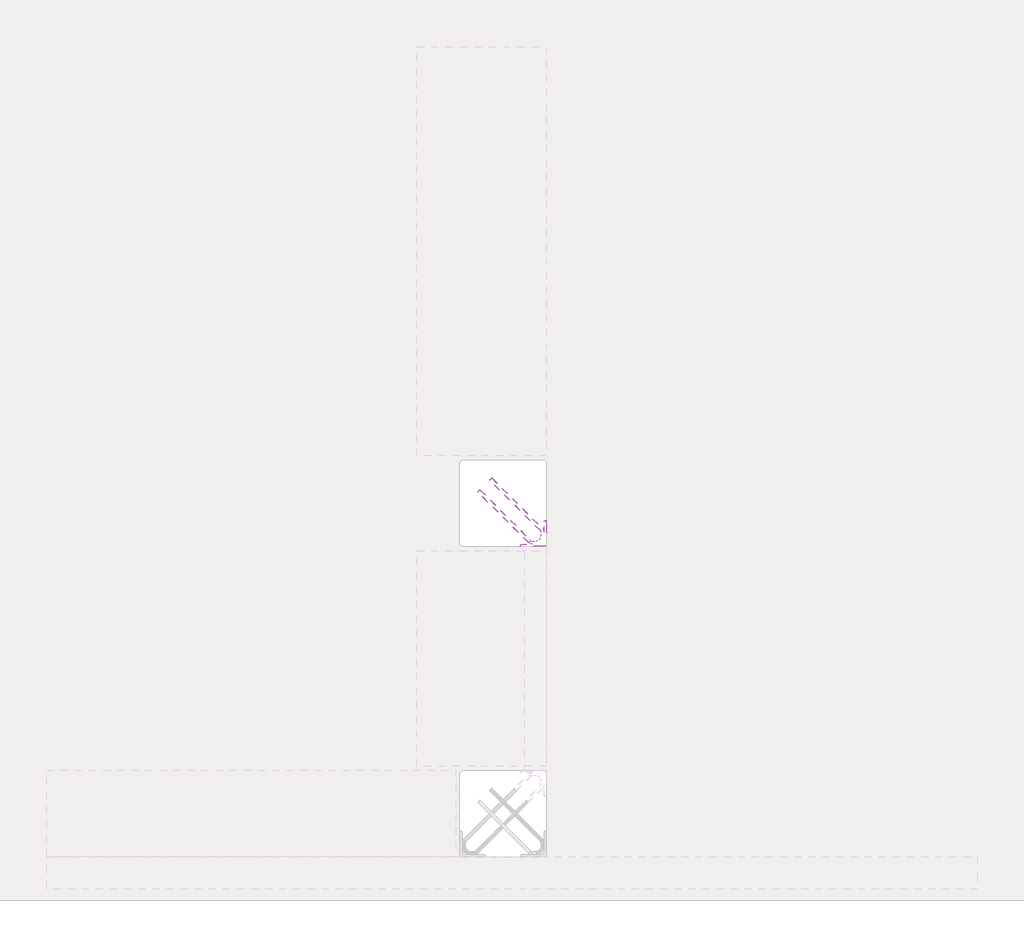
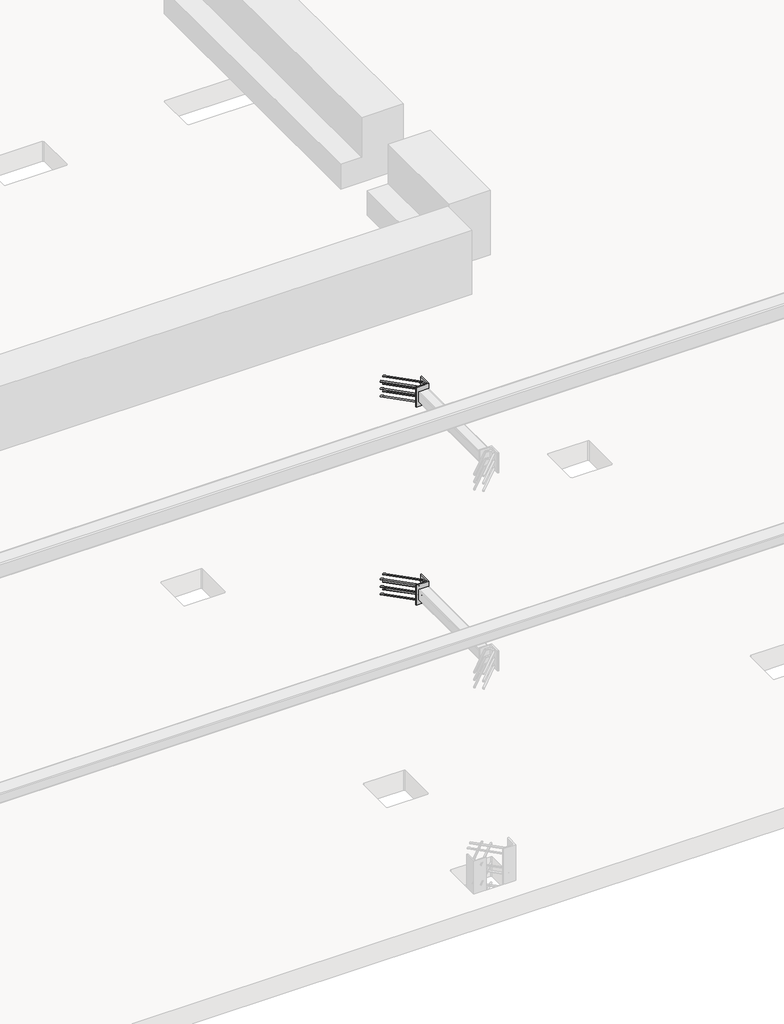
# One storey, part 26 of 65: 2 fasteners.
"""IFC4 building model written with IfcOpenShell, lengths in millimetres."""

from ifc_helpers import new_model, si_unit, point, frame, frame_2d, origin, place, context, project, spatial, polyline, circle_curve, ellipse_curve, trimmed, segment, composite_curve, outline, extrude, element, save
from ifc_brep_helpers import plane_surface, cylinder_surface, revolved_surface, advanced_brep

model = new_model("IFC4")

# Units and contexts
model_context = context("Model", 3, world=origin())
ifc_project = project(units=[si_unit("LENGTHUNIT", "METRE", prefix="MILLI")], contexts=[model_context])

# Site, building, storey
site = spatial("IfcSite", under=ifc_project)
building = spatial("IfcBuilding", under=site)
storey = spatial("IfcBuildingStorey", under=building, Elevation=0.0)

# Fasteners
placement = place(None, origin())
element("IfcFastener", 1, at=placement, inside=storey, context=model_context, shape_type="SolidModel", body=[
    advanced_brep(
    [(53097.4623741, 11557.4371209, 4125.0), (53087.5628791, 11547.5376259, 4125.0), (53032.5628791, 11492.5376259, 4125.0), (53042.4623741, 11502.4371209, 4125.0), (53303.0, 11264.0, 4125.0), (53303.0, 11250.0, 4125.0), (53284.2132034, 11250.0, 4125.0), (53284.2132034, 11264.0, 4125.0), (53326.0, 11287.0, 4125.0), (53340.0, 11287.0, 4125.0), (53326.0, 11305.7867966, 4125.0), (53340.0, 11305.7867966, 4125.0), (53333.5563492, 11321.3431458, 4125.0), (53323.6568543, 11311.4436508, 4125.0), (53278.5563492, 11266.3431458, 4125.0), (53268.6568543, 11256.4436508, 4125.0)],
    [
        (0, 1, circle_curve(frame((53092.5126266, 11552.4873734, 4125.0), z_axis=(-0.7071067811865459, 0.7071067811865493, 0.0), x_axis=(-0.7071067811865493, -0.7071067811865459, 0.0)), 7.0)),
        (1, 0, circle_curve(frame((53092.5126266, 11552.4873734, 4125.0), z_axis=(-0.7071067811865459, 0.7071067811865493, 0.0), x_axis=(-0.7071067811865493, -0.7071067811865459, 0.0)), 7.0)),
        (2, 3, circle_curve(frame((53037.5126266, 11497.4873734, 4125.0), z_axis=(-0.7071067811865457, 0.7071067811865493, 0.0), x_axis=(0.7071067811865493, 0.7071067811865457, 0.0)), 7.0)),
        (3, 2, circle_curve(frame((53037.5126266, 11497.4873734, 4125.0), z_axis=(-0.7071067811865457, 0.7071067811865493, 0.0), x_axis=(0.7071067811865493, 0.7071067811865457, 0.0)), 7.0)),
        (4, 5, circle_curve(frame((53303.0, 11257.0, 4125.0), z_axis=(-1.0, 0.0, 0.0), x_axis=(0.0, 1.0, 0.0)), 7.0)),
        (5, 6),
        (6, 7, circle_curve(frame((53284.2132034, 11257.0, 4125.0), z_axis=(1.0, 0.0, 0.0), x_axis=(0.0, 1.0, 0.0)), 7.0)),
        (7, 4),
        (5, 4, circle_curve(frame((53303.0, 11257.0, 4125.0), z_axis=(-1.0, 0.0, 0.0), x_axis=(0.0, 1.0, 0.0)), 7.0)),
        (7, 6, circle_curve(frame((53284.2132034, 11257.0, 4125.0), z_axis=(1.0, 0.0, 0.0), x_axis=(0.0, 1.0, 0.0)), 7.0)),
        (4, 8, circle_curve(frame((53303.0, 11287.0, 4125.0), z_axis=(0.0, 0.0, 1.0), x_axis=(1.0, 0.0, 0.0)), 23.0)),
        (8, 9, circle_curve(frame((53333.0, 11287.0, 4125.0), z_axis=(0.0, -1.0, 0.0), x_axis=(-1.0, 0.0, 0.0)), 7.0)),
        (9, 5, circle_curve(frame((53303.0, 11287.0, 4125.0), z_axis=(0.0, 0.0, -1.0), x_axis=(1.0, 0.0, 0.0)), 37.0)),
        (9, 8, circle_curve(frame((53333.0, 11287.0, 4125.0), z_axis=(0.0, -1.0, 0.0), x_axis=(-1.0, 0.0, 0.0)), 7.0)),
        (10, 11, circle_curve(frame((53333.0, 11305.7867966, 4125.0), z_axis=(0.0, -1.0, 0.0), x_axis=(-1.0, 0.0, 0.0)), 7.0)),
        (11, 9),
        (8, 10),
        (11, 10, circle_curve(frame((53333.0, 11305.7867966, 4125.0), z_axis=(0.0, -1.0, 0.0), x_axis=(-1.0, 0.0, 0.0)), 7.0)),
        (0, 12),
        (12, 13, circle_curve(frame((53328.6066017, 11316.3933983, 4125.0), z_axis=(-0.7071067811865459, 0.7071067811865493, 0.0), x_axis=(-0.7071067811865493, -0.7071067811865459, 0.0)), 7.0)),
        (13, 1),
        (13, 12, circle_curve(frame((53328.6066017, 11316.3933983, 4125.0), z_axis=(-0.7071067811865459, 0.7071067811865493, 0.0), x_axis=(-0.7071067811865493, -0.7071067811865459, 0.0)), 7.0)),
        (10, 13, circle_curve(frame((53318.0, 11305.7867966, 4125.0), z_axis=(0.0, 0.0, 1.0), x_axis=(0.7071067811865491, 0.7071067811865459, 0.0)), 8.0)),
        (12, 11, circle_curve(frame((53318.0, 11305.7867966, 4125.0), z_axis=(0.0, 0.0, -1.0), x_axis=(0.7071067811865491, 0.7071067811865459, 0.0)), 22.0)),
        (14, 7, circle_curve(frame((53284.2132034, 11272.0, 4125.0), z_axis=(0.0, 0.0, 1.0), x_axis=(0.0, -1.0, 0.0)), 8.0)),
        (6, 15, circle_curve(frame((53284.2132034, 11272.0, 4125.0), z_axis=(0.0, 0.0, -1.0), x_axis=(0.0, -1.0, 0.0)), 22.0)),
        (15, 14, circle_curve(frame((53273.6066017, 11261.3933983, 4125.0), z_axis=(0.7071067811865456, -0.7071067811865495, 0.0), x_axis=(0.7071067811865495, 0.7071067811865456, 0.0)), 7.0)),
        (14, 15, circle_curve(frame((53273.6066017, 11261.3933983, 4125.0), z_axis=(0.707106781186545, -0.70710678118655, 0.0), x_axis=(0.70710678118655, 0.707106781186545, 0.0)), 7.0)),
        (15, 2),
        (3, 14),
    ],
    [
        plane_surface(frame((53092.5126266, 11552.4873734, 4125.0), z_axis=(-0.7071067811865459, 0.7071067811865493, 0.0), x_axis=(0.0, 0.0, -1.0))),
        plane_surface(frame((53037.5126266, 11497.4873734, 4125.0), z_axis=(-0.7071067811865457, 0.7071067811865493, 0.0), x_axis=(0.0, 0.0, -1.0))),
        cylinder_surface(frame((53303.0, 11257.0, 4125.0), z_axis=(1.0, 0.0, 0.0), x_axis=(0.0, 1.0, 0.0)), 7.0),
        revolved_surface(trimmed(ellipse_curve(frame((53333.0, 11287.0, 4125.0), z_axis=(0.0, 1.0, 0.0), x_axis=(-1.0, 0.0, 0.0)), 7.0, 7.0), [point((53340.0, 11287.0, 4125.0))], [point((53326.0, 11287.0, 4125.0))], True, "CARTESIAN"), (53303.0, 11287.0, 4125.0), (0.0, 0.0, -1.0)),
        revolved_surface(trimmed(ellipse_curve(frame((53333.0, 11287.0, 4125.0), z_axis=(0.0, 1.0, 0.0), x_axis=(-1.0, 0.0, 0.0)), 7.0, 7.0), [point((53326.0, 11287.0, 4125.0))], [point((53340.0, 11287.0, 4125.0))], True, "CARTESIAN"), (53303.0, 11287.0, 4125.0), (0.0, 0.0, -1.0)),
        cylinder_surface(frame((53333.0, 11305.7867966, 4125.0), z_axis=(0.0, 1.0, 0.0), x_axis=(-1.0, 0.0, 0.0)), 7.0),
        cylinder_surface(frame((53092.5126266, 11552.4873734, 4125.0), z_axis=(-0.7071067811865459, 0.7071067811865493, 0.0), x_axis=(-0.7071067811865493, -0.7071067811865459, 0.0)), 7.0),
        revolved_surface(trimmed(ellipse_curve(frame((53328.6066017, 11316.3933983, 4125.0), z_axis=(-0.7071067811865459, 0.7071067811865491, 0.0), x_axis=(-0.7071067811865491, -0.7071067811865459, 0.0)), 7.0, 7.0), [point((53333.5563492, 11321.3431458, 4125.0))], [point((53323.6568543, 11311.4436508, 4125.0))], True, "CARTESIAN"), (53318.0, 11305.7867966, 4125.0), (0.0, 0.0, -1.0)),
        revolved_surface(trimmed(ellipse_curve(frame((53328.6066017, 11316.3933983, 4125.0), z_axis=(-0.7071067811865459, 0.7071067811865491, 0.0), x_axis=(-0.7071067811865491, -0.7071067811865459, 0.0)), 7.0, 7.0), [point((53323.6568543, 11311.4436508, 4125.0))], [point((53333.5563492, 11321.3431458, 4125.0))], True, "CARTESIAN"), (53318.0, 11305.7867966, 4125.0), (0.0, 0.0, -1.0)),
        revolved_surface(trimmed(ellipse_curve(frame((53284.2132034, 11257.0, 4125.0), z_axis=(1.0, 0.0, 0.0), x_axis=(0.0, 1.0, 0.0)), 7.0, 7.0), [point((53284.2132034, 11250.0, 4125.0))], [point((53284.2132034, 11264.0, 4125.0))], True, "CARTESIAN"), (53284.2132034, 11272.0, 4125.0), (0.0, 0.0, -1.0)),
        revolved_surface(trimmed(ellipse_curve(frame((53284.2132034, 11257.0, 4125.0), z_axis=(1.0, 0.0, 0.0), x_axis=(0.0, 1.0, 0.0)), 7.0, 7.0), [point((53284.2132034, 11264.0, 4125.0))], [point((53284.2132034, 11250.0, 4125.0))], True, "CARTESIAN"), (53284.2132034, 11272.0, 4125.0), (0.0, 0.0, -1.0)),
        cylinder_surface(frame((53273.6066017, 11261.3933983, 4125.0), z_axis=(0.7071067811865457, -0.7071067811865493, 0.0), x_axis=(0.7071067811865493, 0.7071067811865457, 0.0)), 7.0),
    ],
    [
        (0, [[1, 2]]),
        (1, [[3, 4]]),
        (2, [[5, 6, 7, 8]]),
        (2, [[9, -8, 10, -6]]),
        (3, [[11, 12, 13, -5]]),
        (4, [[-13, 14, -11, -9]]),
        (5, [[15, 16, -12, 17]]),
        (5, [[18, -17, -14, -16]]),
        (6, [[-1, 19, 20, 21]]),
        (6, [[-2, -21, 22, -19]]),
        (7, [[23, -20, 24, -15]]),
        (8, [[-24, -22, -23, -18]]),
        (9, [[25, -7, 26, 27]]),
        (10, [[-26, -10, -25, 28]]),
        (11, [[-27, 29, -4, 30]]),
        (11, [[-28, -30, -3, -29]]),
    ],
),
    advanced_brep(
    [(53087.5628791, 11547.5376259, 3975.0), (53097.4623741, 11557.4371209, 3975.0), (53042.4623741, 11502.4371209, 3975.0), (53032.5628791, 11492.5376259, 3975.0), (53303.0, 11250.0, 3975.0), (53303.0, 11264.0, 3975.0), (53284.2132034, 11264.0, 3975.0), (53284.2132034, 11250.0, 3975.0), (53340.0, 11287.0, 3975.0), (53326.0, 11287.0, 3975.0), (53340.0, 11305.7867966, 3975.0), (53326.0, 11305.7867966, 3975.0), (53323.6568543, 11311.4436508, 3975.0), (53333.5563492, 11321.3431458, 3975.0), (53268.6568543, 11256.4436508, 3975.0), (53278.5563492, 11266.3431458, 3975.0)],
    [
        (0, 1, circle_curve(frame((53092.5126266, 11552.4873734, 3975.0), z_axis=(-0.7071067811865459, 0.7071067811865493, 0.0), x_axis=(0.7071067811865493, 0.7071067811865459, 0.0)), 7.0)),
        (1, 0, circle_curve(frame((53092.5126266, 11552.4873734, 3975.0), z_axis=(-0.7071067811865459, 0.7071067811865493, 0.0), x_axis=(0.7071067811865493, 0.7071067811865459, 0.0)), 7.0)),
        (2, 3, circle_curve(frame((53037.5126266, 11497.4873734, 3975.0), z_axis=(-0.7071067811865458, 0.7071067811865493, 0.0), x_axis=(-0.7071067811865493, -0.7071067811865458, 0.0)), 7.0)),
        (3, 2, circle_curve(frame((53037.5126266, 11497.4873734, 3975.0), z_axis=(-0.7071067811865458, 0.7071067811865493, 0.0), x_axis=(-0.7071067811865493, -0.7071067811865458, 0.0)), 7.0)),
        (4, 5, circle_curve(frame((53303.0, 11257.0, 3975.0), z_axis=(-1.0, 0.0, 0.0), x_axis=(0.0, -1.0, 0.0)), 7.0)),
        (5, 6),
        (6, 7, circle_curve(frame((53284.2132034, 11257.0, 3975.0), z_axis=(1.0, 0.0, 0.0), x_axis=(0.0, -1.0, 0.0)), 7.0)),
        (7, 4),
        (5, 4, circle_curve(frame((53303.0, 11257.0, 3975.0), z_axis=(-1.0, 0.0, 0.0), x_axis=(0.0, -1.0, 0.0)), 7.0)),
        (7, 6, circle_curve(frame((53284.2132034, 11257.0, 3975.0), z_axis=(1.0, 0.0, 0.0), x_axis=(0.0, -1.0, 0.0)), 7.0)),
        (4, 8, circle_curve(frame((53303.0, 11287.0, 3975.0), z_axis=(0.0, 0.0, 1.0), x_axis=(1.0, 0.0, 0.0)), 37.0)),
        (8, 9, circle_curve(frame((53333.0, 11287.0, 3975.0), z_axis=(0.0, -1.0, 0.0), x_axis=(1.0, 0.0, 0.0)), 7.0)),
        (9, 5, circle_curve(frame((53303.0, 11287.0, 3975.0), z_axis=(0.0, 0.0, -1.0), x_axis=(1.0, 0.0, 0.0)), 23.0)),
        (9, 8, circle_curve(frame((53333.0, 11287.0, 3975.0), z_axis=(0.0, -1.0, 0.0), x_axis=(1.0, 0.0, 0.0)), 7.0)),
        (10, 11, circle_curve(frame((53333.0, 11305.7867966, 3975.0), z_axis=(0.0, -1.0, 0.0), x_axis=(1.0, 0.0, 0.0)), 7.0)),
        (11, 9),
        (8, 10),
        (11, 10, circle_curve(frame((53333.0, 11305.7867966, 3975.0), z_axis=(0.0, -1.0, 0.0), x_axis=(1.0, 0.0, 0.0)), 7.0)),
        (0, 12),
        (12, 13, circle_curve(frame((53328.6066017, 11316.3933983, 3975.0), z_axis=(-0.7071067811865459, 0.7071067811865493, 0.0), x_axis=(0.7071067811865493, 0.7071067811865459, 0.0)), 7.0)),
        (13, 1),
        (13, 12, circle_curve(frame((53328.6066017, 11316.3933983, 3975.0), z_axis=(-0.7071067811865459, 0.7071067811865493, 0.0), x_axis=(0.7071067811865493, 0.7071067811865459, 0.0)), 7.0)),
        (10, 13, circle_curve(frame((53318.0, 11305.7867966, 3975.0), z_axis=(0.0, 0.0, 1.0), x_axis=(0.7071067811865491, 0.7071067811865459, 0.0)), 22.0)),
        (12, 11, circle_curve(frame((53318.0, 11305.7867966, 3975.0), z_axis=(0.0, 0.0, -1.0), x_axis=(0.7071067811865491, 0.7071067811865459, 0.0)), 8.0)),
        (14, 7, circle_curve(frame((53284.2132034, 11272.0, 3975.0), z_axis=(0.0, 0.0, 1.0), x_axis=(0.0, -1.0, 0.0)), 22.0)),
        (6, 15, circle_curve(frame((53284.2132034, 11272.0, 3975.0), z_axis=(0.0, 0.0, -1.0), x_axis=(0.0, -1.0, 0.0)), 8.0)),
        (15, 14, circle_curve(frame((53273.6066017, 11261.3933983, 3975.0), z_axis=(0.7071067811865442, -0.7071067811865508, 0.0), x_axis=(-0.7071067811865508, -0.7071067811865442, 0.0)), 7.0)),
        (14, 15, circle_curve(frame((53273.6066017, 11261.3933983, 3975.0), z_axis=(0.707106781186545, -0.70710678118655, 0.0), x_axis=(-0.70710678118655, -0.707106781186545, 0.0)), 7.0)),
        (15, 2),
        (3, 14),
    ],
    [
        plane_surface(frame((53092.5126266, 11552.4873734, 3975.0), z_axis=(-0.7071067811865459, 0.7071067811865493, 0.0), x_axis=(0.0, 0.0, 1.0))),
        plane_surface(frame((53037.5126266, 11497.4873734, 3975.0), z_axis=(-0.7071067811865458, 0.7071067811865493, 0.0), x_axis=(0.0, 0.0, 1.0))),
        cylinder_surface(frame((53303.0, 11257.0, 3975.0), z_axis=(1.0, 0.0, 0.0), x_axis=(0.0, -1.0, 0.0)), 7.0),
        revolved_surface(trimmed(ellipse_curve(frame((53333.0, 11287.0, 3975.0), z_axis=(0.0, 1.0, 0.0), x_axis=(1.0, 0.0, 0.0)), 7.0, 7.0), [point((53326.0, 11287.0, 3975.0))], [point((53340.0, 11287.0, 3975.0))], True, "CARTESIAN"), (53303.0, 11287.0, 3975.0), (0.0, 0.0, -1.0)),
        revolved_surface(trimmed(ellipse_curve(frame((53333.0, 11287.0, 3975.0), z_axis=(0.0, 1.0, 0.0), x_axis=(1.0, 0.0, 0.0)), 7.0, 7.0), [point((53340.0, 11287.0, 3975.0))], [point((53326.0, 11287.0, 3975.0))], True, "CARTESIAN"), (53303.0, 11287.0, 3975.0), (0.0, 0.0, -1.0)),
        cylinder_surface(frame((53333.0, 11305.7867966, 3975.0), z_axis=(0.0, 1.0, 0.0), x_axis=(1.0, 0.0, 0.0)), 7.0),
        cylinder_surface(frame((53092.5126266, 11552.4873734, 3975.0), z_axis=(-0.7071067811865459, 0.7071067811865493, 0.0), x_axis=(0.7071067811865493, 0.7071067811865459, 0.0)), 7.0),
        revolved_surface(trimmed(ellipse_curve(frame((53328.6066017, 11316.3933983, 3975.0), z_axis=(-0.7071067811865459, 0.7071067811865491, 0.0), x_axis=(0.7071067811865491, 0.7071067811865459, 0.0)), 7.0, 7.0), [point((53323.6568543, 11311.4436508, 3975.0))], [point((53333.5563492, 11321.3431458, 3975.0))], True, "CARTESIAN"), (53318.0, 11305.7867966, 3975.0), (0.0, 0.0, -1.0)),
        revolved_surface(trimmed(ellipse_curve(frame((53328.6066017, 11316.3933983, 3975.0), z_axis=(-0.7071067811865459, 0.7071067811865491, 0.0), x_axis=(0.7071067811865491, 0.7071067811865459, 0.0)), 7.0, 7.0), [point((53333.5563492, 11321.3431458, 3975.0))], [point((53323.6568543, 11311.4436508, 3975.0))], True, "CARTESIAN"), (53318.0, 11305.7867966, 3975.0), (0.0, 0.0, -1.0)),
        revolved_surface(trimmed(ellipse_curve(frame((53284.2132034, 11257.0, 3975.0), z_axis=(1.0, 0.0, 0.0), x_axis=(0.0, -1.0, 0.0)), 7.0, 7.0), [point((53284.2132034, 11264.0, 3975.0))], [point((53284.2132034, 11250.0, 3975.0))], True, "CARTESIAN"), (53284.2132034, 11272.0, 3975.0), (0.0, 0.0, -1.0)),
        revolved_surface(trimmed(ellipse_curve(frame((53284.2132034, 11257.0, 3975.0), z_axis=(1.0, 0.0, 0.0), x_axis=(0.0, -1.0, 0.0)), 7.0, 7.0), [point((53284.2132034, 11250.0, 3975.0))], [point((53284.2132034, 11264.0, 3975.0))], True, "CARTESIAN"), (53284.2132034, 11272.0, 3975.0), (0.0, 0.0, -1.0)),
        cylinder_surface(frame((53273.6066017, 11261.3933983, 3975.0), z_axis=(0.7071067811865458, -0.7071067811865493, 0.0), x_axis=(-0.7071067811865493, -0.7071067811865458, 0.0)), 7.0),
    ],
    [
        (0, [[1, 2]]),
        (1, [[3, 4]]),
        (2, [[5, 6, 7, 8]]),
        (2, [[9, -8, 10, -6]]),
        (3, [[11, 12, 13, -5]]),
        (4, [[-13, 14, -11, -9]]),
        (5, [[15, 16, -12, 17]]),
        (5, [[18, -17, -14, -16]]),
        (6, [[-1, 19, 20, 21]]),
        (6, [[-2, -21, 22, -19]]),
        (7, [[23, -20, 24, -15]]),
        (8, [[-24, -22, -23, -18]]),
        (9, [[25, -7, 26, 27]]),
        (10, [[-26, -10, -25, 28]]),
        (11, [[-27, 29, -4, 30]]),
        (11, [[-28, -30, -3, -29]]),
    ],
),
    advanced_brep(
    [(53087.5628791, 11547.5376259, 4050.0), (53097.4623741, 11557.4371209, 4050.0), (53042.4623741, 11502.4371209, 4050.0), (53032.5628791, 11492.5376259, 4050.0), (53303.0, 11250.0, 4050.0), (53303.0, 11264.0, 4050.0), (53284.2132034, 11264.0, 4050.0), (53284.2132034, 11250.0, 4050.0), (53340.0, 11287.0, 4050.0), (53326.0, 11287.0, 4050.0), (53340.0, 11305.7867966, 4050.0), (53326.0, 11305.7867966, 4050.0), (53323.6568543, 11311.4436508, 4050.0), (53333.5563492, 11321.3431458, 4050.0), (53268.6568543, 11256.4436508, 4050.0), (53278.5563492, 11266.3431458, 4050.0)],
    [
        (0, 1, circle_curve(frame((53092.5126266, 11552.4873734, 4050.0), z_axis=(-0.7071067811865458, 0.7071067811865492, 0.0), x_axis=(0.7071067811865492, 0.7071067811865458, 0.0)), 7.0)),
        (1, 0, circle_curve(frame((53092.5126266, 11552.4873734, 4050.0), z_axis=(-0.7071067811865458, 0.7071067811865492, 0.0), x_axis=(0.7071067811865492, 0.7071067811865458, 0.0)), 7.0)),
        (2, 3, circle_curve(frame((53037.5126266, 11497.4873734, 4050.0), z_axis=(-0.7071067811865458, 0.7071067811865493, 0.0), x_axis=(-0.7071067811865493, -0.7071067811865458, 0.0)), 7.0)),
        (3, 2, circle_curve(frame((53037.5126266, 11497.4873734, 4050.0), z_axis=(-0.7071067811865458, 0.7071067811865493, 0.0), x_axis=(-0.7071067811865493, -0.7071067811865458, 0.0)), 7.0)),
        (4, 5, circle_curve(frame((53303.0, 11257.0, 4050.0), z_axis=(-1.0, 0.0, 0.0), x_axis=(0.0, -1.0, 0.0)), 7.0)),
        (5, 6),
        (6, 7, circle_curve(frame((53284.2132034, 11257.0, 4050.0), z_axis=(1.0, 0.0, 0.0), x_axis=(0.0, -1.0, 0.0)), 7.0)),
        (7, 4),
        (5, 4, circle_curve(frame((53303.0, 11257.0, 4050.0), z_axis=(-1.0, 0.0, 0.0), x_axis=(0.0, -1.0, 0.0)), 7.0)),
        (7, 6, circle_curve(frame((53284.2132034, 11257.0, 4050.0), z_axis=(1.0, 0.0, 0.0), x_axis=(0.0, -1.0, 0.0)), 7.0)),
        (4, 8, circle_curve(frame((53303.0, 11287.0, 4050.0), z_axis=(0.0, 0.0, 1.0), x_axis=(1.0, 0.0, 0.0)), 37.0)),
        (8, 9, circle_curve(frame((53333.0, 11287.0, 4050.0), z_axis=(0.0, -1.0, 0.0), x_axis=(1.0, 0.0, 0.0)), 7.0)),
        (9, 5, circle_curve(frame((53303.0, 11287.0, 4050.0), z_axis=(0.0, 0.0, -1.0), x_axis=(1.0, 0.0, 0.0)), 23.0)),
        (9, 8, circle_curve(frame((53333.0, 11287.0, 4050.0), z_axis=(0.0, -1.0, 0.0), x_axis=(1.0, 0.0, 0.0)), 7.0)),
        (10, 11, circle_curve(frame((53333.0, 11305.7867966, 4050.0), z_axis=(0.0, -1.0, 0.0), x_axis=(1.0, 0.0, 0.0)), 7.0)),
        (11, 9),
        (8, 10),
        (11, 10, circle_curve(frame((53333.0, 11305.7867966, 4050.0), z_axis=(0.0, -1.0, 0.0), x_axis=(1.0, 0.0, 0.0)), 7.0)),
        (0, 12),
        (12, 13, circle_curve(frame((53328.6066017, 11316.3933983, 4050.0), z_axis=(-0.7071067811865458, 0.7071067811865492, 0.0), x_axis=(0.7071067811865492, 0.7071067811865458, 0.0)), 7.0)),
        (13, 1),
        (13, 12, circle_curve(frame((53328.6066017, 11316.3933983, 4050.0), z_axis=(-0.7071067811865458, 0.7071067811865492, 0.0), x_axis=(0.7071067811865492, 0.7071067811865458, 0.0)), 7.0)),
        (10, 13, circle_curve(frame((53318.0, 11305.7867966, 4050.0), z_axis=(0.0, 0.0, 1.0), x_axis=(0.7071067811865491, 0.7071067811865459, 0.0)), 22.0)),
        (12, 11, circle_curve(frame((53318.0, 11305.7867966, 4050.0), z_axis=(0.0, 0.0, -1.0), x_axis=(0.7071067811865491, 0.7071067811865459, 0.0)), 8.0)),
        (14, 7, circle_curve(frame((53284.2132034, 11272.0, 4050.0), z_axis=(0.0, 0.0, 1.0), x_axis=(0.0, -1.0, 0.0)), 22.0)),
        (6, 15, circle_curve(frame((53284.2132034, 11272.0, 4050.0), z_axis=(0.0, 0.0, -1.0), x_axis=(0.0, -1.0, 0.0)), 8.0)),
        (15, 14, circle_curve(frame((53273.6066017, 11261.3933983, 4050.0), z_axis=(0.7071067811865457, -0.7071067811865493, 0.0), x_axis=(-0.7071067811865493, -0.7071067811865457, 0.0)), 7.0)),
        (14, 15, circle_curve(frame((53273.6066017, 11261.3933983, 4050.0), z_axis=(0.7071067811865456, -0.7071067811865495, 0.0), x_axis=(-0.7071067811865495, -0.7071067811865456, 0.0)), 7.0)),
        (15, 2),
        (3, 14),
    ],
    [
        plane_surface(frame((53092.5126266, 11552.4873734, 4050.0), z_axis=(-0.7071067811865458, 0.7071067811865492, 0.0), x_axis=(0.0, 0.0, 1.0))),
        plane_surface(frame((53037.5126266, 11497.4873734, 4050.0), z_axis=(-0.7071067811865457, 0.7071067811865495, 0.0), x_axis=(0.0, 0.0, 1.0))),
        cylinder_surface(frame((53303.0, 11257.0, 4050.0), z_axis=(1.0, 0.0, 0.0), x_axis=(0.0, -1.0, 0.0)), 7.0),
        revolved_surface(trimmed(ellipse_curve(frame((53333.0, 11287.0, 4050.0), z_axis=(0.0, 1.0, 0.0), x_axis=(1.0, 0.0, 0.0)), 7.0, 7.0), [point((53326.0, 11287.0, 4050.0))], [point((53340.0, 11287.0, 4050.0))], True, "CARTESIAN"), (53303.0, 11287.0, 4050.0), (0.0, 0.0, -1.0)),
        revolved_surface(trimmed(ellipse_curve(frame((53333.0, 11287.0, 4050.0), z_axis=(0.0, 1.0, 0.0), x_axis=(1.0, 0.0, 0.0)), 7.0, 7.0), [point((53340.0, 11287.0, 4050.0))], [point((53326.0, 11287.0, 4050.0))], True, "CARTESIAN"), (53303.0, 11287.0, 4050.0), (0.0, 0.0, -1.0)),
        cylinder_surface(frame((53333.0, 11305.7867966, 4050.0), z_axis=(0.0, 1.0, 0.0), x_axis=(1.0, 0.0, 0.0)), 7.0),
        cylinder_surface(frame((53092.5126266, 11552.4873734, 4050.0), z_axis=(-0.7071067811865458, 0.7071067811865492, 0.0), x_axis=(0.7071067811865492, 0.7071067811865458, 0.0)), 7.0),
        revolved_surface(trimmed(ellipse_curve(frame((53328.6066017, 11316.3933983, 4050.0), z_axis=(-0.707106781186546, 0.707106781186549, 0.0), x_axis=(0.707106781186549, 0.707106781186546, 0.0)), 7.0, 7.0), [point((53323.6568543, 11311.4436508, 4050.0))], [point((53333.5563492, 11321.3431458, 4050.0))], True, "CARTESIAN"), (53318.0, 11305.7867966, 4050.0), (0.0, 0.0, -1.0)),
        revolved_surface(trimmed(ellipse_curve(frame((53328.6066017, 11316.3933983, 4050.0), z_axis=(-0.707106781186546, 0.707106781186549, 0.0), x_axis=(0.707106781186549, 0.707106781186546, 0.0)), 7.0, 7.0), [point((53333.5563492, 11321.3431458, 4050.0))], [point((53323.6568543, 11311.4436508, 4050.0))], True, "CARTESIAN"), (53318.0, 11305.7867966, 4050.0), (0.0, 0.0, -1.0)),
        revolved_surface(trimmed(ellipse_curve(frame((53284.2132034, 11257.0, 4050.0), z_axis=(1.0, 0.0, 0.0), x_axis=(0.0, -1.0, 0.0)), 7.0, 7.0), [point((53284.2132034, 11264.0, 4050.0))], [point((53284.2132034, 11250.0, 4050.0))], True, "CARTESIAN"), (53284.2132034, 11272.0, 4050.0), (0.0, 0.0, -1.0)),
        revolved_surface(trimmed(ellipse_curve(frame((53284.2132034, 11257.0, 4050.0), z_axis=(1.0, 0.0, 0.0), x_axis=(0.0, -1.0, 0.0)), 7.0, 7.0), [point((53284.2132034, 11250.0, 4050.0))], [point((53284.2132034, 11264.0, 4050.0))], True, "CARTESIAN"), (53284.2132034, 11272.0, 4050.0), (0.0, 0.0, -1.0)),
        cylinder_surface(frame((53273.6066017, 11261.3933983, 4050.0), z_axis=(0.7071067811865458, -0.7071067811865493, 0.0), x_axis=(-0.7071067811865493, -0.7071067811865458, 0.0)), 7.0),
    ],
    [
        (0, [[1, 2]]),
        (1, [[3, 4]]),
        (2, [[5, 6, 7, 8]]),
        (2, [[9, -8, 10, -6]]),
        (3, [[11, 12, 13, -5]]),
        (4, [[-13, 14, -11, -9]]),
        (5, [[15, 16, -12, 17]]),
        (5, [[18, -17, -14, -16]]),
        (6, [[-1, 19, 20, 21]]),
        (6, [[-2, -21, 22, -19]]),
        (7, [[23, -20, 24, -15]]),
        (8, [[-24, -22, -23, -18]]),
        (9, [[25, -7, 26, 27]]),
        (10, [[-26, -10, -25, 28]]),
        (11, [[-27, 29, -4, 30]]),
        (11, [[-28, -30, -3, -29]]),
    ],
),
    extrude(outline(composite_curve([segment(polyline([(53350.0, 11240.0), (53230.0, 11240.0), (53230.0, 11243.5)]), True, "CONTINUOUS"), segment(trimmed(circle_curve(frame_2d((53236.5, 11243.5)), 6.5), [point((53230.0, 11243.5))], [point((53236.5, 11250.0))], False, "CARTESIAN"), True, "CONTINUOUS"), segment(polyline([(53236.5, 11250.0), (53327.0, 11250.0)]), True, "CONTINUOUS"), segment(trimmed(circle_curve(frame_2d((53327.0, 11263.0)), 13.0), [point((53327.0, 11250.0))], [point((53340.0, 11263.0))], True, "CARTESIAN"), True, "CONTINUOUS"), segment(polyline([(53340.0, 11263.0), (53340.0, 11353.5)]), True, "CONTINUOUS"), segment(trimmed(circle_curve(frame_2d((53346.5, 11353.5)), 6.5), [point((53340.0, 11353.5))], [point((53346.5, 11360.0))], False, "CARTESIAN"), True, "CONTINUOUS"), segment(polyline([(53346.5, 11360.0), (53350.0, 11360.0), (53350.0, 11240.0)]), True, "CONTINUOUS")], self_intersect=False)), frame((0.0, 0.0, 3950.0), z_axis=(0.0, 0.0, 1.0), x_axis=(1.0, 0.0, 0.0)), (0.0, 0.0, 1.0), 200.0),
])
element("IfcFastener", 2, at=placement, inside=storey, context=model_context, shape_type="SolidModel", body=[
    extrude(outline(composite_curve([segment(polyline([(53350.0, 11240.0), (53230.0, 11240.0), (53230.0, 11243.5)]), True, "CONTINUOUS"), segment(trimmed(circle_curve(frame_2d((53236.5, 11243.5)), 6.5), [point((53230.0, 11243.5))], [point((53236.5, 11250.0))], False, "CARTESIAN"), True, "CONTINUOUS"), segment(polyline([(53236.5, 11250.0), (53327.0, 11250.0)]), True, "CONTINUOUS"), segment(trimmed(circle_curve(frame_2d((53327.0, 11263.0)), 13.0), [point((53327.0, 11250.0))], [point((53340.0, 11263.0))], True, "CARTESIAN"), True, "CONTINUOUS"), segment(polyline([(53340.0, 11263.0), (53340.0, 11353.5)]), True, "CONTINUOUS"), segment(trimmed(circle_curve(frame_2d((53346.5, 11353.5)), 6.5), [point((53340.0, 11353.5))], [point((53346.5, 11360.0))], False, "CARTESIAN"), True, "CONTINUOUS"), segment(polyline([(53346.5, 11360.0), (53350.0, 11360.0), (53350.0, 11240.0)]), True, "CONTINUOUS")], self_intersect=False)), frame((0.0, 0.0, 1950.0), z_axis=(0.0, 0.0, 1.0), x_axis=(1.0, 0.0, 0.0)), (0.0, 0.0, 1.0), 200.0),
    advanced_brep(
    [(53097.4623741, 11557.4371209, 2125.0), (53087.5628791, 11547.5376259, 2125.0), (53032.5628791, 11492.5376259, 2125.0), (53042.4623741, 11502.4371209, 2125.0), (53303.0, 11264.0, 2125.0), (53303.0, 11250.0, 2125.0), (53284.2132034, 11250.0, 2125.0), (53284.2132034, 11264.0, 2125.0), (53326.0, 11287.0, 2125.0), (53340.0, 11287.0, 2125.0), (53326.0, 11305.7867966, 2125.0), (53340.0, 11305.7867966, 2125.0), (53333.5563492, 11321.3431458, 2125.0), (53323.6568543, 11311.4436508, 2125.0), (53278.5563492, 11266.3431458, 2125.0), (53268.6568543, 11256.4436508, 2125.0)],
    [
        (0, 1, circle_curve(frame((53092.5126266, 11552.4873734, 2125.0), z_axis=(-0.7071067811865459, 0.7071067811865493, 0.0), x_axis=(-0.7071067811865493, -0.7071067811865459, 0.0)), 7.0)),
        (1, 0, circle_curve(frame((53092.5126266, 11552.4873734, 2125.0), z_axis=(-0.7071067811865459, 0.7071067811865493, 0.0), x_axis=(-0.7071067811865493, -0.7071067811865459, 0.0)), 7.0)),
        (2, 3, circle_curve(frame((53037.5126266, 11497.4873734, 2125.0), z_axis=(-0.7071067811865457, 0.7071067811865493, 0.0), x_axis=(0.7071067811865493, 0.7071067811865457, 0.0)), 7.0)),
        (3, 2, circle_curve(frame((53037.5126266, 11497.4873734, 2125.0), z_axis=(-0.7071067811865457, 0.7071067811865493, 0.0), x_axis=(0.7071067811865493, 0.7071067811865457, 0.0)), 7.0)),
        (4, 5, circle_curve(frame((53303.0, 11257.0, 2125.0), z_axis=(-1.0, 0.0, 0.0), x_axis=(0.0, 1.0, 0.0)), 7.0)),
        (5, 6),
        (6, 7, circle_curve(frame((53284.2132034, 11257.0, 2125.0), z_axis=(1.0, 0.0, 0.0), x_axis=(0.0, 1.0, 0.0)), 7.0)),
        (7, 4),
        (5, 4, circle_curve(frame((53303.0, 11257.0, 2125.0), z_axis=(-1.0, 0.0, 0.0), x_axis=(0.0, 1.0, 0.0)), 7.0)),
        (7, 6, circle_curve(frame((53284.2132034, 11257.0, 2125.0), z_axis=(1.0, 0.0, 0.0), x_axis=(0.0, 1.0, 0.0)), 7.0)),
        (4, 8, circle_curve(frame((53303.0, 11287.0, 2125.0), z_axis=(0.0, 0.0, 1.0), x_axis=(1.0, 0.0, 0.0)), 23.0)),
        (8, 9, circle_curve(frame((53333.0, 11287.0, 2125.0), z_axis=(0.0, -1.0, 0.0), x_axis=(-1.0, 0.0, 0.0)), 7.0)),
        (9, 5, circle_curve(frame((53303.0, 11287.0, 2125.0), z_axis=(0.0, 0.0, -1.0), x_axis=(1.0, 0.0, 0.0)), 37.0)),
        (9, 8, circle_curve(frame((53333.0, 11287.0, 2125.0), z_axis=(0.0, -1.0, 0.0), x_axis=(-1.0, 0.0, 0.0)), 7.0)),
        (10, 11, circle_curve(frame((53333.0, 11305.7867966, 2125.0), z_axis=(0.0, -1.0, 0.0), x_axis=(-1.0, 0.0, 0.0)), 7.0)),
        (11, 9),
        (8, 10),
        (11, 10, circle_curve(frame((53333.0, 11305.7867966, 2125.0), z_axis=(0.0, -1.0, 0.0), x_axis=(-1.0, 0.0, 0.0)), 7.0)),
        (0, 12),
        (12, 13, circle_curve(frame((53328.6066017, 11316.3933983, 2125.0), z_axis=(-0.7071067811865459, 0.7071067811865493, 0.0), x_axis=(-0.7071067811865493, -0.7071067811865459, 0.0)), 7.0)),
        (13, 1),
        (13, 12, circle_curve(frame((53328.6066017, 11316.3933983, 2125.0), z_axis=(-0.7071067811865459, 0.7071067811865493, 0.0), x_axis=(-0.7071067811865493, -0.7071067811865459, 0.0)), 7.0)),
        (10, 13, circle_curve(frame((53318.0, 11305.7867966, 2125.0), z_axis=(0.0, 0.0, 1.0), x_axis=(0.7071067811865491, 0.7071067811865459, 0.0)), 8.0)),
        (12, 11, circle_curve(frame((53318.0, 11305.7867966, 2125.0), z_axis=(0.0, 0.0, -1.0), x_axis=(0.7071067811865491, 0.7071067811865459, 0.0)), 22.0)),
        (14, 7, circle_curve(frame((53284.2132034, 11272.0, 2125.0), z_axis=(0.0, 0.0, 1.0), x_axis=(0.0, -1.0, 0.0)), 8.0)),
        (6, 15, circle_curve(frame((53284.2132034, 11272.0, 2125.0), z_axis=(0.0, 0.0, -1.0), x_axis=(0.0, -1.0, 0.0)), 22.0)),
        (15, 14, circle_curve(frame((53273.6066017, 11261.3933983, 2125.0), z_axis=(0.7071067811865456, -0.7071067811865495, 0.0), x_axis=(0.7071067811865495, 0.7071067811865456, 0.0)), 7.0)),
        (14, 15, circle_curve(frame((53273.6066017, 11261.3933983, 2125.0), z_axis=(0.707106781186545, -0.70710678118655, 0.0), x_axis=(0.70710678118655, 0.707106781186545, 0.0)), 7.0)),
        (15, 2),
        (3, 14),
    ],
    [
        plane_surface(frame((53092.5126266, 11552.4873734, 2125.0), z_axis=(-0.7071067811865459, 0.7071067811865493, 0.0), x_axis=(0.0, 0.0, -1.0))),
        plane_surface(frame((53037.5126266, 11497.4873734, 2125.0), z_axis=(-0.7071067811865457, 0.7071067811865493, 0.0), x_axis=(0.0, 0.0, -1.0))),
        cylinder_surface(frame((53303.0, 11257.0, 2125.0), z_axis=(1.0, 0.0, 0.0), x_axis=(0.0, 1.0, 0.0)), 7.0),
        revolved_surface(trimmed(ellipse_curve(frame((53333.0, 11287.0, 2125.0), z_axis=(0.0, 1.0, 0.0), x_axis=(-1.0, 0.0, 0.0)), 7.0, 7.0), [point((53340.0, 11287.0, 2125.0))], [point((53326.0, 11287.0, 2125.0))], True, "CARTESIAN"), (53303.0, 11287.0, 2125.0), (0.0, 0.0, -1.0)),
        revolved_surface(trimmed(ellipse_curve(frame((53333.0, 11287.0, 2125.0), z_axis=(0.0, 1.0, 0.0), x_axis=(-1.0, 0.0, 0.0)), 7.0, 7.0), [point((53326.0, 11287.0, 2125.0))], [point((53340.0, 11287.0, 2125.0))], True, "CARTESIAN"), (53303.0, 11287.0, 2125.0), (0.0, 0.0, -1.0)),
        cylinder_surface(frame((53333.0, 11305.7867966, 2125.0), z_axis=(0.0, 1.0, 0.0), x_axis=(-1.0, 0.0, 0.0)), 7.0),
        cylinder_surface(frame((53092.5126266, 11552.4873734, 2125.0), z_axis=(-0.7071067811865459, 0.7071067811865493, 0.0), x_axis=(-0.7071067811865493, -0.7071067811865459, 0.0)), 7.0),
        revolved_surface(trimmed(ellipse_curve(frame((53328.6066017, 11316.3933983, 2125.0), z_axis=(-0.7071067811865459, 0.7071067811865491, 0.0), x_axis=(-0.7071067811865491, -0.7071067811865459, 0.0)), 7.0, 7.0), [point((53333.5563492, 11321.3431458, 2125.0))], [point((53323.6568543, 11311.4436508, 2125.0))], True, "CARTESIAN"), (53318.0, 11305.7867966, 2125.0), (0.0, 0.0, -1.0)),
        revolved_surface(trimmed(ellipse_curve(frame((53328.6066017, 11316.3933983, 2125.0), z_axis=(-0.7071067811865459, 0.7071067811865491, 0.0), x_axis=(-0.7071067811865491, -0.7071067811865459, 0.0)), 7.0, 7.0), [point((53323.6568543, 11311.4436508, 2125.0))], [point((53333.5563492, 11321.3431458, 2125.0))], True, "CARTESIAN"), (53318.0, 11305.7867966, 2125.0), (0.0, 0.0, -1.0)),
        revolved_surface(trimmed(ellipse_curve(frame((53284.2132034, 11257.0, 2125.0), z_axis=(1.0, 0.0, 0.0), x_axis=(0.0, 1.0, 0.0)), 7.0, 7.0), [point((53284.2132034, 11250.0, 2125.0))], [point((53284.2132034, 11264.0, 2125.0))], True, "CARTESIAN"), (53284.2132034, 11272.0, 2125.0), (0.0, 0.0, -1.0)),
        revolved_surface(trimmed(ellipse_curve(frame((53284.2132034, 11257.0, 2125.0), z_axis=(1.0, 0.0, 0.0), x_axis=(0.0, 1.0, 0.0)), 7.0, 7.0), [point((53284.2132034, 11264.0, 2125.0))], [point((53284.2132034, 11250.0, 2125.0))], True, "CARTESIAN"), (53284.2132034, 11272.0, 2125.0), (0.0, 0.0, -1.0)),
        cylinder_surface(frame((53273.6066017, 11261.3933983, 2125.0), z_axis=(0.7071067811865457, -0.7071067811865493, 0.0), x_axis=(0.7071067811865493, 0.7071067811865457, 0.0)), 7.0),
    ],
    [
        (0, [[1, 2]]),
        (1, [[3, 4]]),
        (2, [[5, 6, 7, 8]]),
        (2, [[9, -8, 10, -6]]),
        (3, [[11, 12, 13, -5]]),
        (4, [[-13, 14, -11, -9]]),
        (5, [[15, 16, -12, 17]]),
        (5, [[18, -17, -14, -16]]),
        (6, [[-1, 19, 20, 21]]),
        (6, [[-2, -21, 22, -19]]),
        (7, [[23, -20, 24, -15]]),
        (8, [[-24, -22, -23, -18]]),
        (9, [[25, -7, 26, 27]]),
        (10, [[-26, -10, -25, 28]]),
        (11, [[-27, 29, -4, 30]]),
        (11, [[-28, -30, -3, -29]]),
    ],
),
    advanced_brep(
    [(53087.5628791, 11547.5376259, 1975.0), (53097.4623741, 11557.4371209, 1975.0), (53042.4623741, 11502.4371209, 1975.0), (53032.5628791, 11492.5376259, 1975.0), (53303.0, 11250.0, 1975.0), (53303.0, 11264.0, 1975.0), (53284.2132034, 11264.0, 1975.0), (53284.2132034, 11250.0, 1975.0), (53340.0, 11287.0, 1975.0), (53326.0, 11287.0, 1975.0), (53340.0, 11305.7867966, 1975.0), (53326.0, 11305.7867966, 1975.0), (53323.6568543, 11311.4436508, 1975.0), (53333.5563492, 11321.3431458, 1975.0), (53268.6568543, 11256.4436508, 1975.0), (53278.5563492, 11266.3431458, 1975.0)],
    [
        (0, 1, circle_curve(frame((53092.5126266, 11552.4873734, 1975.0), z_axis=(-0.7071067811865459, 0.7071067811865493, 0.0), x_axis=(0.7071067811865493, 0.7071067811865459, 0.0)), 7.0)),
        (1, 0, circle_curve(frame((53092.5126266, 11552.4873734, 1975.0), z_axis=(-0.7071067811865459, 0.7071067811865493, 0.0), x_axis=(0.7071067811865493, 0.7071067811865459, 0.0)), 7.0)),
        (2, 3, circle_curve(frame((53037.5126266, 11497.4873734, 1975.0), z_axis=(-0.7071067811865458, 0.7071067811865493, 0.0), x_axis=(-0.7071067811865493, -0.7071067811865458, 0.0)), 7.0)),
        (3, 2, circle_curve(frame((53037.5126266, 11497.4873734, 1975.0), z_axis=(-0.7071067811865458, 0.7071067811865493, 0.0), x_axis=(-0.7071067811865493, -0.7071067811865458, 0.0)), 7.0)),
        (4, 5, circle_curve(frame((53303.0, 11257.0, 1975.0), z_axis=(-1.0, 0.0, 0.0), x_axis=(0.0, -1.0, 0.0)), 7.0)),
        (5, 6),
        (6, 7, circle_curve(frame((53284.2132034, 11257.0, 1975.0), z_axis=(1.0, 0.0, 0.0), x_axis=(0.0, -1.0, 0.0)), 7.0)),
        (7, 4),
        (5, 4, circle_curve(frame((53303.0, 11257.0, 1975.0), z_axis=(-1.0, 0.0, 0.0), x_axis=(0.0, -1.0, 0.0)), 7.0)),
        (7, 6, circle_curve(frame((53284.2132034, 11257.0, 1975.0), z_axis=(1.0, 0.0, 0.0), x_axis=(0.0, -1.0, 0.0)), 7.0)),
        (4, 8, circle_curve(frame((53303.0, 11287.0, 1975.0), z_axis=(0.0, 0.0, 1.0), x_axis=(1.0, 0.0, 0.0)), 37.0)),
        (8, 9, circle_curve(frame((53333.0, 11287.0, 1975.0), z_axis=(0.0, -1.0, 0.0), x_axis=(1.0, 0.0, 0.0)), 7.0)),
        (9, 5, circle_curve(frame((53303.0, 11287.0, 1975.0), z_axis=(0.0, 0.0, -1.0), x_axis=(1.0, 0.0, 0.0)), 23.0)),
        (9, 8, circle_curve(frame((53333.0, 11287.0, 1975.0), z_axis=(0.0, -1.0, 0.0), x_axis=(1.0, 0.0, 0.0)), 7.0)),
        (10, 11, circle_curve(frame((53333.0, 11305.7867966, 1975.0), z_axis=(0.0, -1.0, 0.0), x_axis=(1.0, 0.0, 0.0)), 7.0)),
        (11, 9),
        (8, 10),
        (11, 10, circle_curve(frame((53333.0, 11305.7867966, 1975.0), z_axis=(0.0, -1.0, 0.0), x_axis=(1.0, 0.0, 0.0)), 7.0)),
        (0, 12),
        (12, 13, circle_curve(frame((53328.6066017, 11316.3933983, 1975.0), z_axis=(-0.7071067811865459, 0.7071067811865493, 0.0), x_axis=(0.7071067811865493, 0.7071067811865459, 0.0)), 7.0)),
        (13, 1),
        (13, 12, circle_curve(frame((53328.6066017, 11316.3933983, 1975.0), z_axis=(-0.7071067811865459, 0.7071067811865493, 0.0), x_axis=(0.7071067811865493, 0.7071067811865459, 0.0)), 7.0)),
        (10, 13, circle_curve(frame((53318.0, 11305.7867966, 1975.0), z_axis=(0.0, 0.0, 1.0), x_axis=(0.7071067811865491, 0.7071067811865459, 0.0)), 22.0)),
        (12, 11, circle_curve(frame((53318.0, 11305.7867966, 1975.0), z_axis=(0.0, 0.0, -1.0), x_axis=(0.7071067811865491, 0.7071067811865459, 0.0)), 8.0)),
        (14, 7, circle_curve(frame((53284.2132034, 11272.0, 1975.0), z_axis=(0.0, 0.0, 1.0), x_axis=(0.0, -1.0, 0.0)), 22.0)),
        (6, 15, circle_curve(frame((53284.2132034, 11272.0, 1975.0), z_axis=(0.0, 0.0, -1.0), x_axis=(0.0, -1.0, 0.0)), 8.0)),
        (15, 14, circle_curve(frame((53273.6066017, 11261.3933983, 1975.0), z_axis=(0.7071067811865442, -0.7071067811865508, 0.0), x_axis=(-0.7071067811865508, -0.7071067811865442, 0.0)), 7.0)),
        (14, 15, circle_curve(frame((53273.6066017, 11261.3933983, 1975.0), z_axis=(0.707106781186545, -0.70710678118655, 0.0), x_axis=(-0.70710678118655, -0.707106781186545, 0.0)), 7.0)),
        (15, 2),
        (3, 14),
    ],
    [
        plane_surface(frame((53092.5126266, 11552.4873734, 1975.0), z_axis=(-0.7071067811865459, 0.7071067811865493, 0.0), x_axis=(0.0, 0.0, 1.0))),
        plane_surface(frame((53037.5126266, 11497.4873734, 1975.0), z_axis=(-0.7071067811865458, 0.7071067811865493, 0.0), x_axis=(0.0, 0.0, 1.0))),
        cylinder_surface(frame((53303.0, 11257.0, 1975.0), z_axis=(1.0, 0.0, 0.0), x_axis=(0.0, -1.0, 0.0)), 7.0),
        revolved_surface(trimmed(ellipse_curve(frame((53333.0, 11287.0, 1975.0), z_axis=(0.0, 1.0, 0.0), x_axis=(1.0, 0.0, 0.0)), 7.0, 7.0), [point((53326.0, 11287.0, 1975.0))], [point((53340.0, 11287.0, 1975.0))], True, "CARTESIAN"), (53303.0, 11287.0, 1975.0), (0.0, 0.0, -1.0)),
        revolved_surface(trimmed(ellipse_curve(frame((53333.0, 11287.0, 1975.0), z_axis=(0.0, 1.0, 0.0), x_axis=(1.0, 0.0, 0.0)), 7.0, 7.0), [point((53340.0, 11287.0, 1975.0))], [point((53326.0, 11287.0, 1975.0))], True, "CARTESIAN"), (53303.0, 11287.0, 1975.0), (0.0, 0.0, -1.0)),
        cylinder_surface(frame((53333.0, 11305.7867966, 1975.0), z_axis=(0.0, 1.0, 0.0), x_axis=(1.0, 0.0, 0.0)), 7.0),
        cylinder_surface(frame((53092.5126266, 11552.4873734, 1975.0), z_axis=(-0.7071067811865459, 0.7071067811865493, 0.0), x_axis=(0.7071067811865493, 0.7071067811865459, 0.0)), 7.0),
        revolved_surface(trimmed(ellipse_curve(frame((53328.6066017, 11316.3933983, 1975.0), z_axis=(-0.7071067811865459, 0.7071067811865491, 0.0), x_axis=(0.7071067811865491, 0.7071067811865459, 0.0)), 7.0, 7.0), [point((53323.6568543, 11311.4436508, 1975.0))], [point((53333.5563492, 11321.3431458, 1975.0))], True, "CARTESIAN"), (53318.0, 11305.7867966, 1975.0), (0.0, 0.0, -1.0)),
        revolved_surface(trimmed(ellipse_curve(frame((53328.6066017, 11316.3933983, 1975.0), z_axis=(-0.7071067811865459, 0.7071067811865491, 0.0), x_axis=(0.7071067811865491, 0.7071067811865459, 0.0)), 7.0, 7.0), [point((53333.5563492, 11321.3431458, 1975.0))], [point((53323.6568543, 11311.4436508, 1975.0))], True, "CARTESIAN"), (53318.0, 11305.7867966, 1975.0), (0.0, 0.0, -1.0)),
        revolved_surface(trimmed(ellipse_curve(frame((53284.2132034, 11257.0, 1975.0), z_axis=(1.0, 0.0, 0.0), x_axis=(0.0, -1.0, 0.0)), 7.0, 7.0), [point((53284.2132034, 11264.0, 1975.0))], [point((53284.2132034, 11250.0, 1975.0))], True, "CARTESIAN"), (53284.2132034, 11272.0, 1975.0), (0.0, 0.0, -1.0)),
        revolved_surface(trimmed(ellipse_curve(frame((53284.2132034, 11257.0, 1975.0), z_axis=(1.0, 0.0, 0.0), x_axis=(0.0, -1.0, 0.0)), 7.0, 7.0), [point((53284.2132034, 11250.0, 1975.0))], [point((53284.2132034, 11264.0, 1975.0))], True, "CARTESIAN"), (53284.2132034, 11272.0, 1975.0), (0.0, 0.0, -1.0)),
        cylinder_surface(frame((53273.6066017, 11261.3933983, 1975.0), z_axis=(0.7071067811865458, -0.7071067811865493, 0.0), x_axis=(-0.7071067811865493, -0.7071067811865458, 0.0)), 7.0),
    ],
    [
        (0, [[1, 2]]),
        (1, [[3, 4]]),
        (2, [[5, 6, 7, 8]]),
        (2, [[9, -8, 10, -6]]),
        (3, [[11, 12, 13, -5]]),
        (4, [[-13, 14, -11, -9]]),
        (5, [[15, 16, -12, 17]]),
        (5, [[18, -17, -14, -16]]),
        (6, [[-1, 19, 20, 21]]),
        (6, [[-2, -21, 22, -19]]),
        (7, [[23, -20, 24, -15]]),
        (8, [[-24, -22, -23, -18]]),
        (9, [[25, -7, 26, 27]]),
        (10, [[-26, -10, -25, 28]]),
        (11, [[-27, 29, -4, 30]]),
        (11, [[-28, -30, -3, -29]]),
    ],
),
    advanced_brep(
    [(53087.5628791, 11547.5376259, 2050.0), (53097.4623741, 11557.4371209, 2050.0), (53042.4623741, 11502.4371209, 2050.0), (53032.5628791, 11492.5376259, 2050.0), (53303.0, 11250.0, 2050.0), (53303.0, 11264.0, 2050.0), (53284.2132034, 11264.0, 2050.0), (53284.2132034, 11250.0, 2050.0), (53340.0, 11287.0, 2050.0), (53326.0, 11287.0, 2050.0), (53340.0, 11305.7867966, 2050.0), (53326.0, 11305.7867966, 2050.0), (53323.6568543, 11311.4436508, 2050.0), (53333.5563492, 11321.3431458, 2050.0), (53268.6568543, 11256.4436508, 2050.0), (53278.5563492, 11266.3431458, 2050.0)],
    [
        (0, 1, circle_curve(frame((53092.5126266, 11552.4873734, 2050.0), z_axis=(-0.7071067811865458, 0.7071067811865492, 0.0), x_axis=(0.7071067811865492, 0.7071067811865458, 0.0)), 7.0)),
        (1, 0, circle_curve(frame((53092.5126266, 11552.4873734, 2050.0), z_axis=(-0.7071067811865458, 0.7071067811865492, 0.0), x_axis=(0.7071067811865492, 0.7071067811865458, 0.0)), 7.0)),
        (2, 3, circle_curve(frame((53037.5126266, 11497.4873734, 2050.0), z_axis=(-0.7071067811865458, 0.7071067811865493, 0.0), x_axis=(-0.7071067811865493, -0.7071067811865458, 0.0)), 7.0)),
        (3, 2, circle_curve(frame((53037.5126266, 11497.4873734, 2050.0), z_axis=(-0.7071067811865458, 0.7071067811865493, 0.0), x_axis=(-0.7071067811865493, -0.7071067811865458, 0.0)), 7.0)),
        (4, 5, circle_curve(frame((53303.0, 11257.0, 2050.0), z_axis=(-1.0, 0.0, 0.0), x_axis=(0.0, -1.0, 0.0)), 7.0)),
        (5, 6),
        (6, 7, circle_curve(frame((53284.2132034, 11257.0, 2050.0), z_axis=(1.0, 0.0, 0.0), x_axis=(0.0, -1.0, 0.0)), 7.0)),
        (7, 4),
        (5, 4, circle_curve(frame((53303.0, 11257.0, 2050.0), z_axis=(-1.0, 0.0, 0.0), x_axis=(0.0, -1.0, 0.0)), 7.0)),
        (7, 6, circle_curve(frame((53284.2132034, 11257.0, 2050.0), z_axis=(1.0, 0.0, 0.0), x_axis=(0.0, -1.0, 0.0)), 7.0)),
        (4, 8, circle_curve(frame((53303.0, 11287.0, 2050.0), z_axis=(0.0, 0.0, 1.0), x_axis=(1.0, 0.0, 0.0)), 37.0)),
        (8, 9, circle_curve(frame((53333.0, 11287.0, 2050.0), z_axis=(0.0, -1.0, 0.0), x_axis=(1.0, 0.0, 0.0)), 7.0)),
        (9, 5, circle_curve(frame((53303.0, 11287.0, 2050.0), z_axis=(0.0, 0.0, -1.0), x_axis=(1.0, 0.0, 0.0)), 23.0)),
        (9, 8, circle_curve(frame((53333.0, 11287.0, 2050.0), z_axis=(0.0, -1.0, 0.0), x_axis=(1.0, 0.0, 0.0)), 7.0)),
        (10, 11, circle_curve(frame((53333.0, 11305.7867966, 2050.0), z_axis=(0.0, -1.0, 0.0), x_axis=(1.0, 0.0, 0.0)), 7.0)),
        (11, 9),
        (8, 10),
        (11, 10, circle_curve(frame((53333.0, 11305.7867966, 2050.0), z_axis=(0.0, -1.0, 0.0), x_axis=(1.0, 0.0, 0.0)), 7.0)),
        (0, 12),
        (12, 13, circle_curve(frame((53328.6066017, 11316.3933983, 2050.0), z_axis=(-0.7071067811865458, 0.7071067811865492, 0.0), x_axis=(0.7071067811865492, 0.7071067811865458, 0.0)), 7.0)),
        (13, 1),
        (13, 12, circle_curve(frame((53328.6066017, 11316.3933983, 2050.0), z_axis=(-0.7071067811865458, 0.7071067811865492, 0.0), x_axis=(0.7071067811865492, 0.7071067811865458, 0.0)), 7.0)),
        (10, 13, circle_curve(frame((53318.0, 11305.7867966, 2050.0), z_axis=(0.0, 0.0, 1.0), x_axis=(0.7071067811865491, 0.7071067811865459, 0.0)), 22.0)),
        (12, 11, circle_curve(frame((53318.0, 11305.7867966, 2050.0), z_axis=(0.0, 0.0, -1.0), x_axis=(0.7071067811865491, 0.7071067811865459, 0.0)), 8.0)),
        (14, 7, circle_curve(frame((53284.2132034, 11272.0, 2050.0), z_axis=(0.0, 0.0, 1.0), x_axis=(0.0, -1.0, 0.0)), 22.0)),
        (6, 15, circle_curve(frame((53284.2132034, 11272.0, 2050.0), z_axis=(0.0, 0.0, -1.0), x_axis=(0.0, -1.0, 0.0)), 8.0)),
        (15, 14, circle_curve(frame((53273.6066017, 11261.3933983, 2050.0), z_axis=(0.7071067811865457, -0.7071067811865493, 0.0), x_axis=(-0.7071067811865493, -0.7071067811865457, 0.0)), 7.0)),
        (14, 15, circle_curve(frame((53273.6066017, 11261.3933983, 2050.0), z_axis=(0.7071067811865456, -0.7071067811865495, 0.0), x_axis=(-0.7071067811865495, -0.7071067811865456, 0.0)), 7.0)),
        (15, 2),
        (3, 14),
    ],
    [
        plane_surface(frame((53092.5126266, 11552.4873734, 2050.0), z_axis=(-0.7071067811865458, 0.7071067811865492, 0.0), x_axis=(0.0, 0.0, 1.0))),
        plane_surface(frame((53037.5126266, 11497.4873734, 2050.0), z_axis=(-0.7071067811865457, 0.7071067811865495, 0.0), x_axis=(0.0, 0.0, 1.0))),
        cylinder_surface(frame((53303.0, 11257.0, 2050.0), z_axis=(1.0, 0.0, 0.0), x_axis=(0.0, -1.0, 0.0)), 7.0),
        revolved_surface(trimmed(ellipse_curve(frame((53333.0, 11287.0, 2050.0), z_axis=(0.0, 1.0, 0.0), x_axis=(1.0, 0.0, 0.0)), 7.0, 7.0), [point((53326.0, 11287.0, 2050.0))], [point((53340.0, 11287.0, 2050.0))], True, "CARTESIAN"), (53303.0, 11287.0, 2050.0), (0.0, 0.0, -1.0)),
        revolved_surface(trimmed(ellipse_curve(frame((53333.0, 11287.0, 2050.0), z_axis=(0.0, 1.0, 0.0), x_axis=(1.0, 0.0, 0.0)), 7.0, 7.0), [point((53340.0, 11287.0, 2050.0))], [point((53326.0, 11287.0, 2050.0))], True, "CARTESIAN"), (53303.0, 11287.0, 2050.0), (0.0, 0.0, -1.0)),
        cylinder_surface(frame((53333.0, 11305.7867966, 2050.0), z_axis=(0.0, 1.0, 0.0), x_axis=(1.0, 0.0, 0.0)), 7.0),
        cylinder_surface(frame((53092.5126266, 11552.4873734, 2050.0), z_axis=(-0.7071067811865458, 0.7071067811865492, 0.0), x_axis=(0.7071067811865492, 0.7071067811865458, 0.0)), 7.0),
        revolved_surface(trimmed(ellipse_curve(frame((53328.6066017, 11316.3933983, 2050.0), z_axis=(-0.707106781186546, 0.707106781186549, 0.0), x_axis=(0.707106781186549, 0.707106781186546, 0.0)), 7.0, 7.0), [point((53323.6568543, 11311.4436508, 2050.0))], [point((53333.5563492, 11321.3431458, 2050.0))], True, "CARTESIAN"), (53318.0, 11305.7867966, 2050.0), (0.0, 0.0, -1.0)),
        revolved_surface(trimmed(ellipse_curve(frame((53328.6066017, 11316.3933983, 2050.0), z_axis=(-0.707106781186546, 0.707106781186549, 0.0), x_axis=(0.707106781186549, 0.707106781186546, 0.0)), 7.0, 7.0), [point((53333.5563492, 11321.3431458, 2050.0))], [point((53323.6568543, 11311.4436508, 2050.0))], True, "CARTESIAN"), (53318.0, 11305.7867966, 2050.0), (0.0, 0.0, -1.0)),
        revolved_surface(trimmed(ellipse_curve(frame((53284.2132034, 11257.0, 2050.0), z_axis=(1.0, 0.0, 0.0), x_axis=(0.0, -1.0, 0.0)), 7.0, 7.0), [point((53284.2132034, 11264.0, 2050.0))], [point((53284.2132034, 11250.0, 2050.0))], True, "CARTESIAN"), (53284.2132034, 11272.0, 2050.0), (0.0, 0.0, -1.0)),
        revolved_surface(trimmed(ellipse_curve(frame((53284.2132034, 11257.0, 2050.0), z_axis=(1.0, 0.0, 0.0), x_axis=(0.0, -1.0, 0.0)), 7.0, 7.0), [point((53284.2132034, 11250.0, 2050.0))], [point((53284.2132034, 11264.0, 2050.0))], True, "CARTESIAN"), (53284.2132034, 11272.0, 2050.0), (0.0, 0.0, -1.0)),
        cylinder_surface(frame((53273.6066017, 11261.3933983, 2050.0), z_axis=(0.7071067811865458, -0.7071067811865493, 0.0), x_axis=(-0.7071067811865493, -0.7071067811865458, 0.0)), 7.0),
    ],
    [
        (0, [[1, 2]]),
        (1, [[3, 4]]),
        (2, [[5, 6, 7, 8]]),
        (2, [[9, -8, 10, -6]]),
        (3, [[11, 12, 13, -5]]),
        (4, [[-13, 14, -11, -9]]),
        (5, [[15, 16, -12, 17]]),
        (5, [[18, -17, -14, -16]]),
        (6, [[-1, 19, 20, 21]]),
        (6, [[-2, -21, 22, -19]]),
        (7, [[23, -20, 24, -15]]),
        (8, [[-24, -22, -23, -18]]),
        (9, [[25, -7, 26, 27]]),
        (10, [[-26, -10, -25, 28]]),
        (11, [[-27, 29, -4, 30]]),
        (11, [[-28, -30, -3, -29]]),
    ],
),
])

save(model, "model.ifc")
